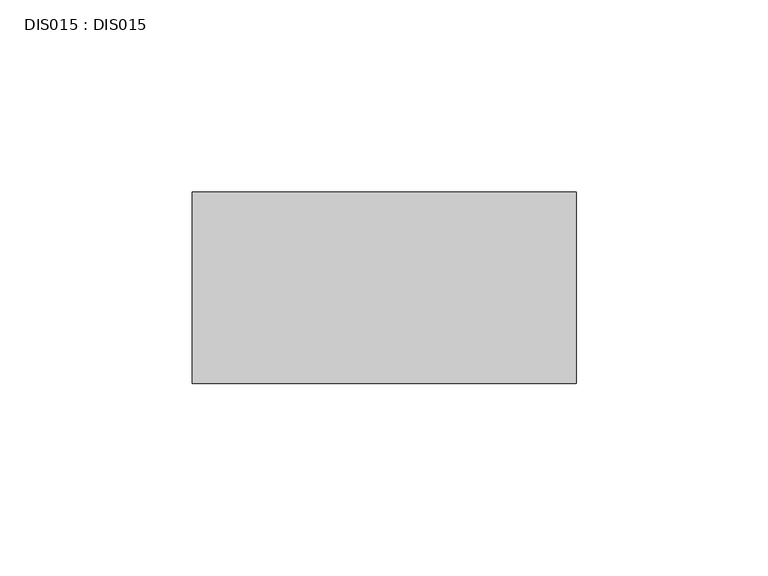
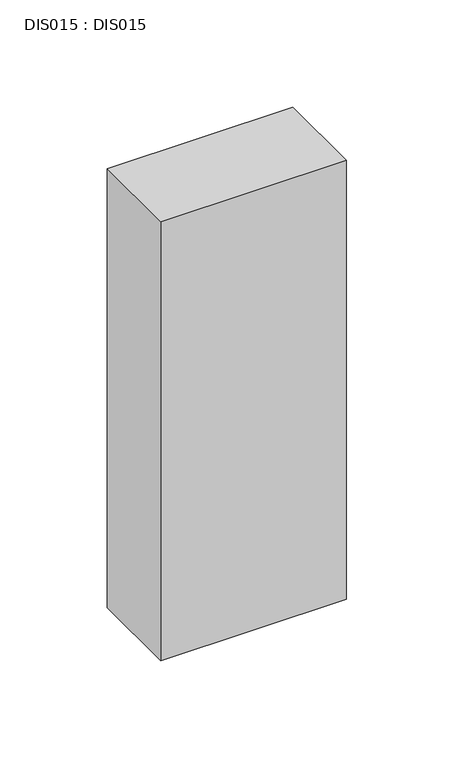
"""IFC4 building model written with IfcOpenShell, lengths in millimetres: proxy geometry, DIS015 : DIS015."""

from ifc_helpers import new_model, si_unit, origin, origin_with_axes, place, context, project, spatial, polyline, outline, extrude, source, transform, mapped, element, save


def dis015_dis015_6ddb7506(model_context):
    return source(origin(), model_context, "Body", "SweptSolid", [
        extrude(outline(polyline([(100.0, 0.0), (100.0, -50.0), (0.0, -50.0), (0.0, 0.0), (100.0, 0.0)])), origin_with_axes(), (0.0, 0.0, 1.0), 250.0),
    ])


if __name__ == "__main__":
    model = new_model("IFC4")
    model_context = context("Model", 3, world=origin())
    ifc_project = project(units=[si_unit("LENGTHUNIT", "METRE", prefix="MILLI")], contexts=[model_context])
    site = spatial("IfcSite", under=ifc_project)
    building = spatial("IfcBuilding", under=site)
    placement = place(None, origin())
    dis015_dis015_shape = dis015_dis015_6ddb7506(model_context)
    element("IfcBuildingElementProxy", 1, Name="DIS015 : DIS015", ObjectType="DIS015 : DIS015", at=placement, inside=building, context=model_context, shape_type="MappedRepresentation", body=[
        mapped(dis015_dis015_shape, transform((0.0, 0.0, 0.0), x_axis=(1.0, 0.0, 0.0), y_axis=(0.0, 1.0, 0.0), z_axis=(0.0, 0.0, 1.0))),
    ])
    save(model, "model.ifc")
